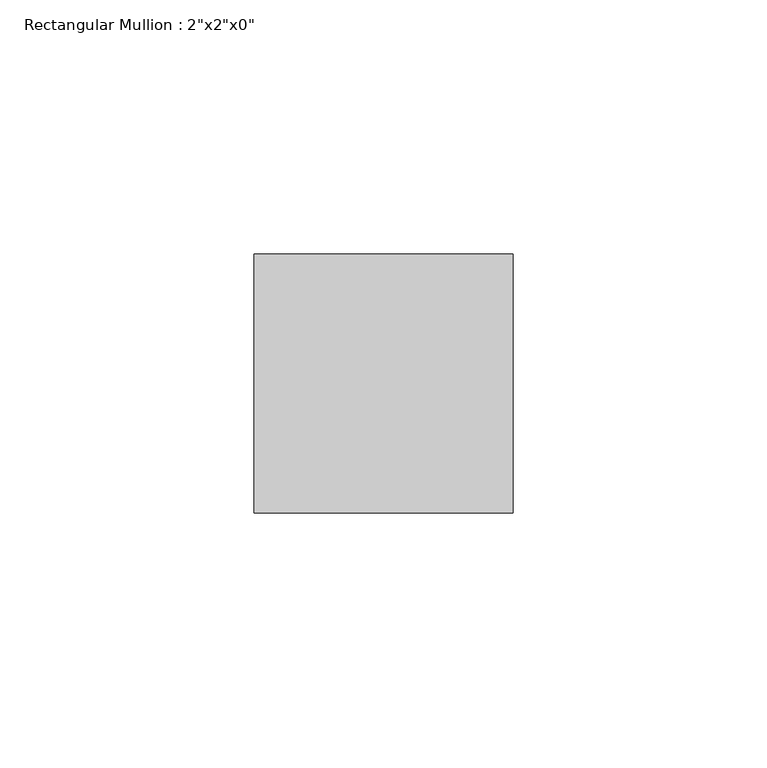
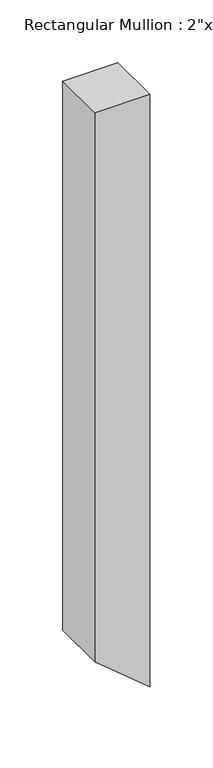
"""IFC4 building model written with IfcOpenShell, lengths in millimetres: member geometry."""

from ifc_helpers import new_model, si_unit, frame, origin, place, context, project, spatial, polyline, outline, extrude, source, transform, mapped, element, save


def member_8e6b7763(model_context):
    return source(origin(), model_context, "Body", "SweptSolid", [
        extrude(outline(polyline([(0.0, 0.0), (0.0, -50.8), (-533.9140883, -50.8), (-576.1822432, 0.0), (0.0, 0.0)])), frame((0.0, -25.4, 0.0), z_axis=(0.0, 1.0, 0.0), x_axis=(0.0, 0.0, 1.0)), (0.0, 0.0, 1.0), 50.8),
    ])


if __name__ == "__main__":
    model = new_model("IFC4")
    model_context = context("Model", 3, world=origin())
    ifc_project = project(units=[si_unit("LENGTHUNIT", "METRE", prefix="MILLI")], contexts=[model_context])
    site = spatial("IfcSite", under=ifc_project)
    building = spatial("IfcBuilding", under=site)
    placement = place(None, origin())
    member_shape = member_8e6b7763(model_context)
    element("IfcMember", 1, ObjectType="Rectangular Mullion : 2\"x2\"x0\"", at=placement, inside=building, context=model_context, shape_type="MappedRepresentation", body=[
        mapped(member_shape, transform((0.0, 0.0, 0.0), x_axis=(1.0, 0.0, 0.0), y_axis=(0.0, 1.0, 0.0), z_axis=(0.0, 0.0, 1.0))),
    ])
    save(model, "model.ifc")
